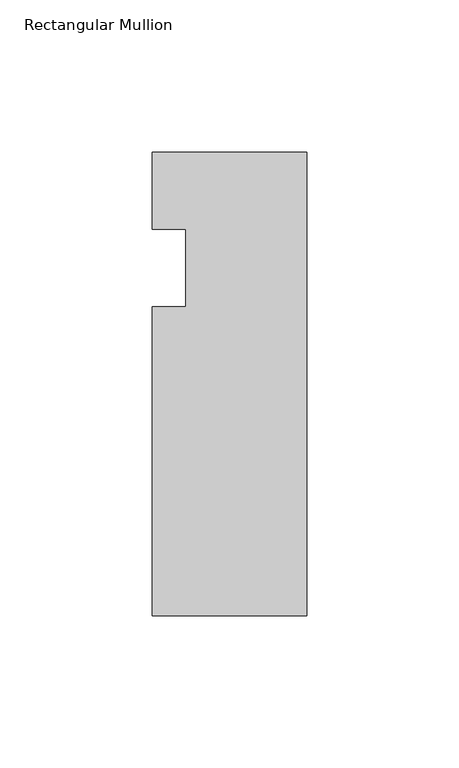
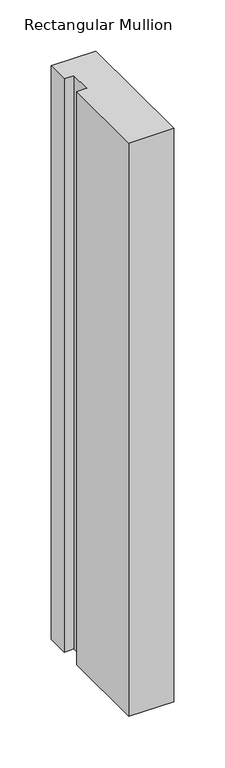
"""IFC4 building model written with IfcOpenShell, lengths in millimetres: member geometry, Rectangular Mullion."""

from ifc_helpers import new_model, si_unit, frame, origin, place, context, project, spatial, polyline, outline, extrude, source, transform, mapped, element, save


def rectangular_mullion_9ca7f192(model_context):
    return source(origin(), model_context, "Body", "SweptSolid", [
        extrude(outline(polyline([(0.0, 0.0), (0.0, -152.4), (-50.8, -152.4), (-50.8, -50.8), (-39.798625, -50.8), (-39.798625, -25.4), (-50.8, -25.4), (-50.8, 0.0), (0.0, 0.0)])), frame((0.0, 0.0, -685.8), z_axis=(0.0, 0.0, 1.0), x_axis=(1.0, 0.0, 0.0)), (0.0, 0.0, 1.0), 685.8),
    ])


if __name__ == "__main__":
    model = new_model("IFC4")
    model_context = context("Model", 3, world=origin())
    ifc_project = project(units=[si_unit("LENGTHUNIT", "METRE", prefix="MILLI")], contexts=[model_context])
    site = spatial("IfcSite", under=ifc_project)
    building = spatial("IfcBuilding", under=site)
    placement = place(None, origin())
    rectangular_mullion_shape = rectangular_mullion_9ca7f192(model_context)
    element("IfcMember", 1, ObjectType="Rectangular Mullion", at=placement, inside=building, context=model_context, shape_type="MappedRepresentation", body=[
        mapped(rectangular_mullion_shape, transform((0.0, 0.0, 0.0), x_axis=(1.0, 0.0, 0.0), y_axis=(0.0, 1.0, 0.0), z_axis=(0.0, 0.0, 1.0))),
    ])
    save(model, "model.ifc")
